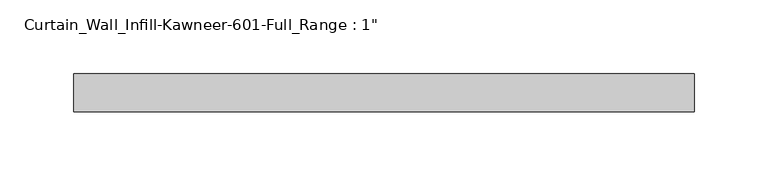
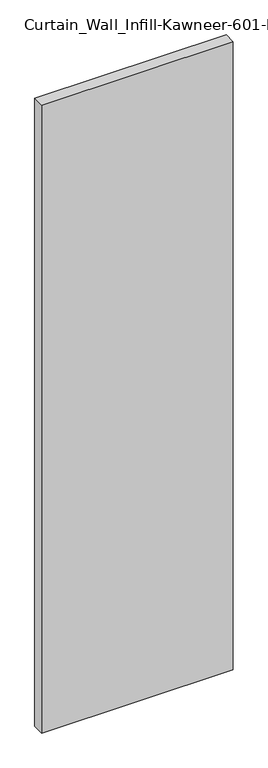
"""IFC4 building model written with IfcOpenShell, lengths in millimetres: plate geometry."""

from ifc_helpers import new_model, si_unit, origin, origin_with_axes, place, context, project, spatial, polyline, outline, extrude, source, transform, mapped, element, save


def plate_c5d715fb(model_context):
    return source(origin(), model_context, "Body", "SweptSolid", [
        extrude(outline(polyline([(-209.55, 0.0), (-209.55, 25.4), (209.55, 25.4), (209.55, 0.0), (-209.55, 0.0)])), origin_with_axes(), (0.0, 0.0, 1.0), 1450.975),
    ])


if __name__ == "__main__":
    model = new_model("IFC4")
    model_context = context("Model", 3, world=origin())
    ifc_project = project(units=[si_unit("LENGTHUNIT", "METRE", prefix="MILLI")], contexts=[model_context])
    site = spatial("IfcSite", under=ifc_project)
    building = spatial("IfcBuilding", under=site)
    placement = place(None, origin())
    plate_shape = plate_c5d715fb(model_context)
    element("IfcPlate", 1, ObjectType="Curtain_Wall_Infill-Kawneer-601-Full_Range : 1\"", at=placement, inside=building, context=model_context, shape_type="MappedRepresentation", body=[
        mapped(plate_shape, transform((0.0, 0.0, 0.0), x_axis=(1.0, 0.0, 0.0), y_axis=(0.0, 1.0, 0.0), z_axis=(0.0, 0.0, 1.0))),
    ])
    save(model, "model.ifc")
